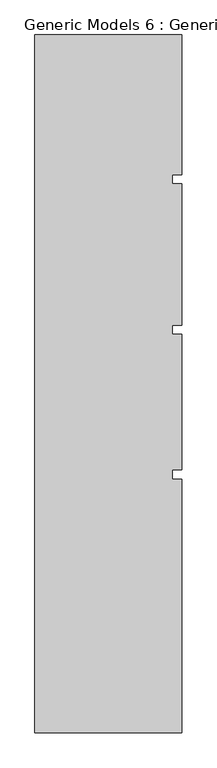
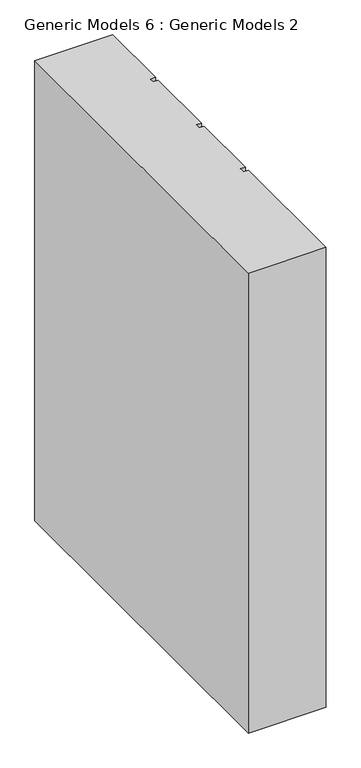
"""IFC4 building model written with IfcOpenShell, lengths in millimetres: proxy geometry, Generic Models 6 : Generic Models 2."""

from ifc_helpers import new_model, si_unit, frame, origin, place, context, project, spatial, polyline, outline, extrude, source, transform, mapped, element, save


def generic_models_6_generic_models_2_f44cac13(model_context):
    return source(origin(), model_context, "Body", "SweptSolid", [
        extrude(outline(polyline([(6158.9891931, -239.4418036), (6646.0314083, -239.4418036), (6646.0314083, -703.851216), (6614.3889077, -703.851216), (6614.3889077, -733.8846489), (6646.0314083, -733.8846489), (6646.0314083, -1203.851216), (6614.3889077, -1203.851216), (6614.3889077, -1233.8846489), (6646.0314083, -1233.8846489), (6646.0314083, -1683.851216), (6614.3889077, -1683.851216), (6614.3889077, -1713.8846489), (6646.0314083, -1713.8846489), (6646.0314083, -2556.8137679), (6158.9891931, -2556.8137679), (6158.9891931, -239.4418036)])), frame((0.0, 0.0, 3000.0), z_axis=(0.0, 0.0, 1.0), x_axis=(1.0, 0.0, 0.0)), (0.0, 0.0, 1.0), 3044.7067261),
    ])


if __name__ == "__main__":
    model = new_model("IFC4")
    model_context = context("Model", 3, world=origin())
    ifc_project = project(units=[si_unit("LENGTHUNIT", "METRE", prefix="MILLI")], contexts=[model_context])
    site = spatial("IfcSite", under=ifc_project)
    building = spatial("IfcBuilding", under=site)
    placement = place(None, origin())
    generic_models_6_generic_models_2_shape = generic_models_6_generic_models_2_f44cac13(model_context)
    element("IfcBuildingElementProxy", 1, Name="Generic Models 6 : Generic Models 2", ObjectType="Generic Models 6 : Generic Models 2", at=placement, inside=building, context=model_context, shape_type="MappedRepresentation", body=[
        mapped(generic_models_6_generic_models_2_shape, transform((0.0, 0.0, 0.0), x_axis=(1.0, 0.0, 0.0), y_axis=(0.0, 1.0, 0.0), z_axis=(0.0, 0.0, 1.0))),
    ])
    save(model, "model.ifc")
